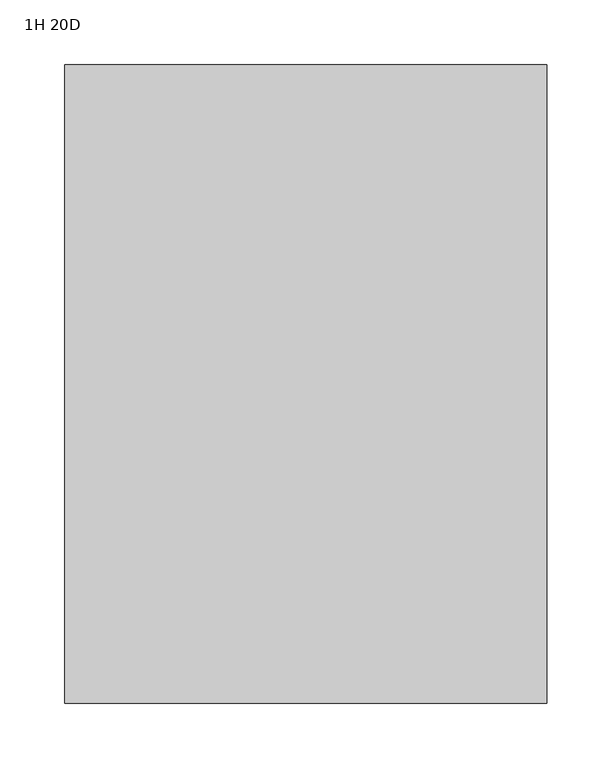
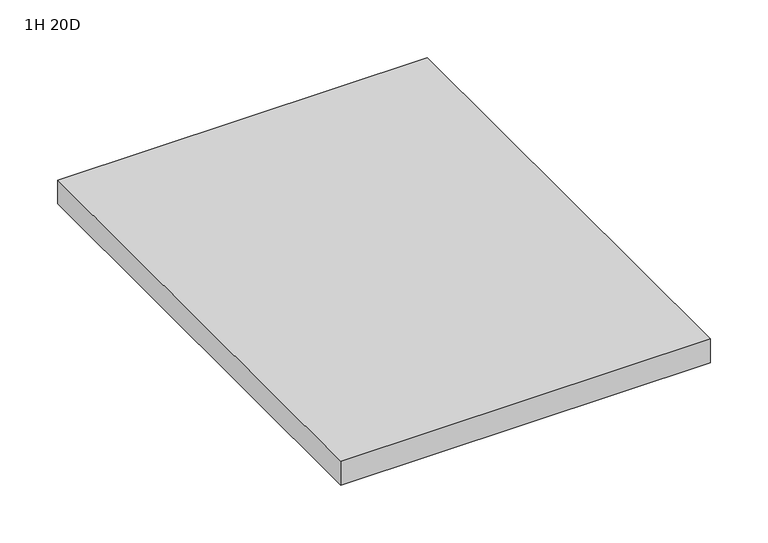
"""IFC4 building model written with IfcOpenShell, lengths in millimetres: furniture geometry, 1H 20D."""

from ifc_helpers import new_model, si_unit, frame, origin, place, context, project, spatial, polyline, outline, extrude, source, transform, mapped, element, save


def furniture_1h_20d_4c3298a0(model_context):
    return source(origin(), model_context, "Body", "SweptSolid", [
        extrude(outline(polyline([(-288.925, 440.563), (-288.925, -51.562), (-660.4, -51.562), (-660.4, 440.563), (-288.925, 440.563)])), frame((0.0, 0.0, 543.49904), z_axis=(0.0, 0.0, 1.0), x_axis=(1.0, 0.0, 0.0)), (0.0, 0.0, 1.0), 25.4),
    ])


if __name__ == "__main__":
    model = new_model("IFC4")
    model_context = context("Model", 3, world=origin())
    ifc_project = project(units=[si_unit("LENGTHUNIT", "METRE", prefix="MILLI")], contexts=[model_context])
    site = spatial("IfcSite", under=ifc_project)
    building = spatial("IfcBuilding", under=site)
    placement = place(None, origin())
    furniture_1h_20d_shape = furniture_1h_20d_4c3298a0(model_context)
    element("IfcFurniture", 1, ObjectType="1H 20D", at=placement, inside=building, context=model_context, shape_type="MappedRepresentation", body=[
        mapped(furniture_1h_20d_shape, transform((0.0, 0.0, 0.0), x_axis=(1.0, 0.0, 0.0), y_axis=(0.0, 1.0, 0.0), z_axis=(0.0, 0.0, 1.0))),
    ])
    save(model, "model.ifc")
